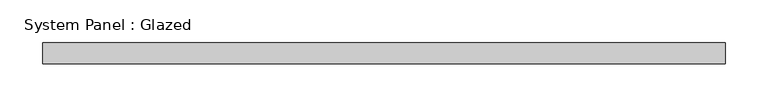
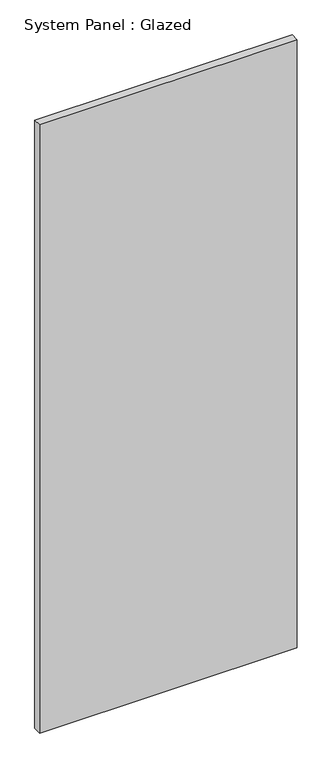
"""IFC4 building model written with IfcOpenShell, lengths in millimetres: plate geometry, System Panel : Glazed."""

from ifc_helpers import new_model, si_unit, origin, origin_with_axes, place, context, project, spatial, polyline, outline, extrude, source, transform, mapped, element, save


def system_panel_glazed_153ca9e4(model_context):
    return source(origin(), model_context, "Body", "SweptSolid", [
        extrude(outline(polyline([(401.1538407, 24.5), (-401.1538407, 24.5), (-401.1538407, 49.5), (401.1538407, 49.5), (401.1538407, 24.5)])), origin_with_axes(), (0.0, 0.0, 1.0), 2000.0),
    ])


if __name__ == "__main__":
    model = new_model("IFC4")
    model_context = context("Model", 3, world=origin())
    ifc_project = project(units=[si_unit("LENGTHUNIT", "METRE", prefix="MILLI")], contexts=[model_context])
    site = spatial("IfcSite", under=ifc_project)
    building = spatial("IfcBuilding", under=site)
    placement = place(None, origin())
    system_panel_glazed_shape = system_panel_glazed_153ca9e4(model_context)
    element("IfcPlate", 1, ObjectType="System Panel : Glazed", at=placement, inside=building, context=model_context, shape_type="MappedRepresentation", body=[
        mapped(system_panel_glazed_shape, transform((0.0, 0.0, 0.0), x_axis=(1.0, 0.0, 0.0), y_axis=(0.0, 1.0, 0.0), z_axis=(0.0, 0.0, 1.0))),
    ])
    save(model, "model.ifc")
